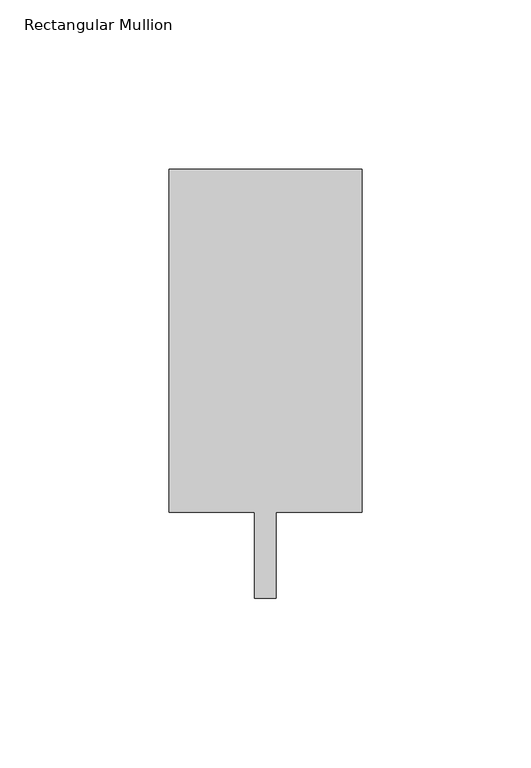
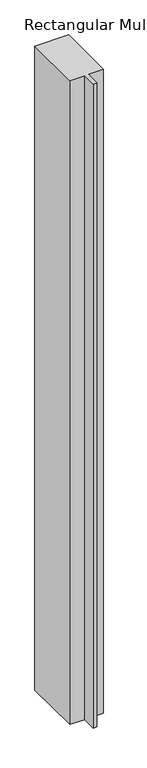
"""IFC4 building model written with IfcOpenShell, lengths in millimetres: member geometry, Rectangular Mullion."""

from ifc_helpers import new_model, si_unit, frame, origin, place, context, project, spatial, polyline, outline, extrude, source, transform, mapped, element, save


def rectangular_mullion_1c2e84ef(model_context):
    return source(origin(), model_context, "Body", "SweptSolid", [
        extrude(outline(polyline([(28.575, 114.3), (28.575, 12.7), (3.175, 12.7), (3.175, -12.7), (-3.175, -12.7), (-3.175, 12.7), (-28.575, 12.7), (-28.575, 114.3), (28.575, 114.3)])), frame((0.0, 0.0, -1152.525), z_axis=(0.0, 0.0, 1.0), x_axis=(1.0, 0.0, 0.0)), (0.0, 0.0, 1.0), 1152.525),
    ])


if __name__ == "__main__":
    model = new_model("IFC4")
    model_context = context("Model", 3, world=origin())
    ifc_project = project(units=[si_unit("LENGTHUNIT", "METRE", prefix="MILLI")], contexts=[model_context])
    site = spatial("IfcSite", under=ifc_project)
    building = spatial("IfcBuilding", under=site)
    placement = place(None, origin())
    rectangular_mullion_shape = rectangular_mullion_1c2e84ef(model_context)
    element("IfcMember", 1, ObjectType="Rectangular Mullion", at=placement, inside=building, context=model_context, shape_type="MappedRepresentation", body=[
        mapped(rectangular_mullion_shape, transform((0.0, 0.0, 0.0), x_axis=(1.0, 0.0, 0.0), y_axis=(0.0, 1.0, 0.0), z_axis=(0.0, 0.0, 1.0))),
    ])
    save(model, "model.ifc")
